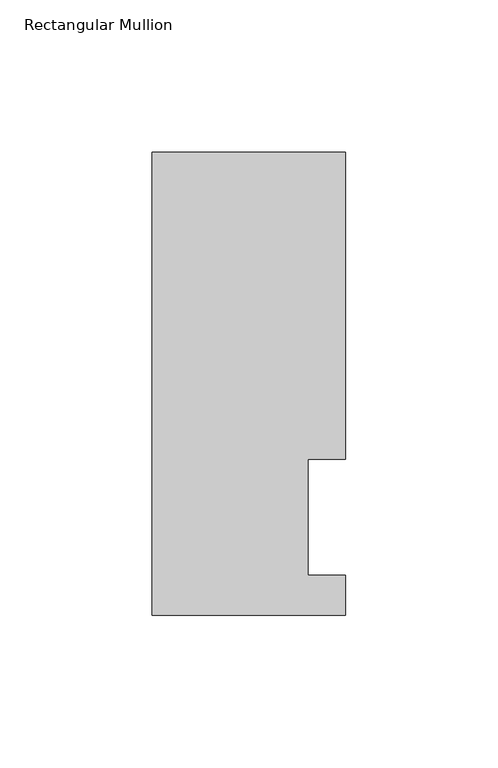
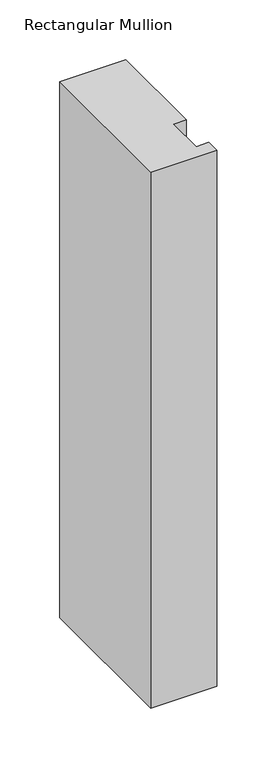
"""IFC4 building model written with IfcOpenShell, lengths in millimetres: member geometry, Rectangular Mullion."""

from ifc_helpers import new_model, si_unit, frame, origin, place, context, project, spatial, polyline, outline, extrude, source, transform, mapped, element, save


def rectangular_mullion_b1f08709(model_context):
    return source(origin(), model_context, "Body", "SweptSolid", [
        extrude(outline(polyline([(-63.5, 152.3785687), (0.0, 152.3785687), (0.0, 51.6929688), (-12.3418395, 51.6929688), (-12.3418395, 13.5929687), (0.0, 13.5929687), (0.0, 0.4103687), (-63.5, 0.4103687), (-63.5, 152.3785687)])), frame((0.0, 0.0, -546.1), z_axis=(0.0, 0.0, 1.0), x_axis=(1.0, 0.0, 0.0)), (0.0, 0.0, 1.0), 546.1),
    ])


if __name__ == "__main__":
    model = new_model("IFC4")
    model_context = context("Model", 3, world=origin())
    ifc_project = project(units=[si_unit("LENGTHUNIT", "METRE", prefix="MILLI")], contexts=[model_context])
    site = spatial("IfcSite", under=ifc_project)
    building = spatial("IfcBuilding", under=site)
    placement = place(None, origin())
    rectangular_mullion_shape = rectangular_mullion_b1f08709(model_context)
    element("IfcMember", 1, ObjectType="Rectangular Mullion", at=placement, inside=building, context=model_context, shape_type="MappedRepresentation", body=[
        mapped(rectangular_mullion_shape, transform((0.0, 0.0, 0.0), x_axis=(1.0, 0.0, 0.0), y_axis=(0.0, 1.0, 0.0), z_axis=(0.0, 0.0, 1.0))),
    ])
    save(model, "model.ifc")
